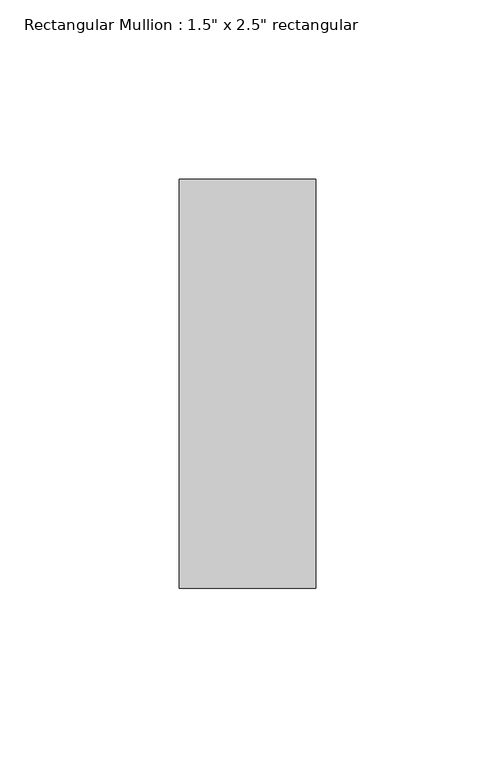
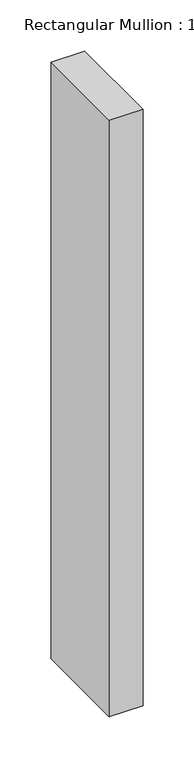
"""IFC4 building model written with IfcOpenShell, lengths in millimetres: member geometry."""

from ifc_helpers import new_model, si_unit, frame, origin, place, context, project, spatial, polyline, outline, extrude, source, transform, mapped, element, save


def member_9eeb6fd2(model_context):
    return source(origin(), model_context, "Body", "SweptSolid", [
        extrude(outline(polyline([(0.0, 57.15), (0.0, -57.15), (-38.1, -57.15), (-38.1, 57.15), (0.0, 57.15)])), frame((0.0, 0.0, -713.3166667), z_axis=(0.0, 0.0, 1.0), x_axis=(1.0, 0.0, 0.0)), (0.0, 0.0, 1.0), 713.3166667),
    ])


if __name__ == "__main__":
    model = new_model("IFC4")
    model_context = context("Model", 3, world=origin())
    ifc_project = project(units=[si_unit("LENGTHUNIT", "METRE", prefix="MILLI")], contexts=[model_context])
    site = spatial("IfcSite", under=ifc_project)
    building = spatial("IfcBuilding", under=site)
    placement = place(None, origin())
    member_shape = member_9eeb6fd2(model_context)
    element("IfcMember", 1, ObjectType="Rectangular Mullion : 1.5\" x 2.5\" rectangular", at=placement, inside=building, context=model_context, shape_type="MappedRepresentation", body=[
        mapped(member_shape, transform((0.0, 0.0, 0.0), x_axis=(1.0, 0.0, 0.0), y_axis=(0.0, 1.0, 0.0), z_axis=(0.0, 0.0, 1.0))),
    ])
    save(model, "model.ifc")
